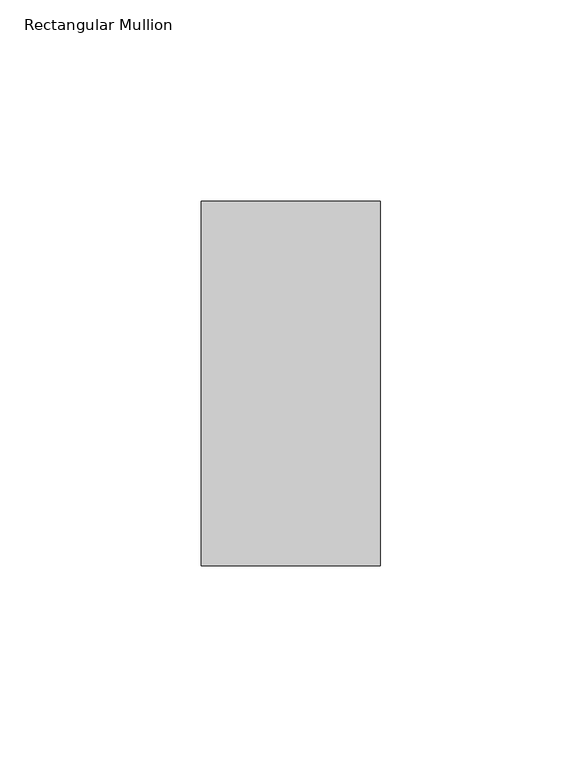
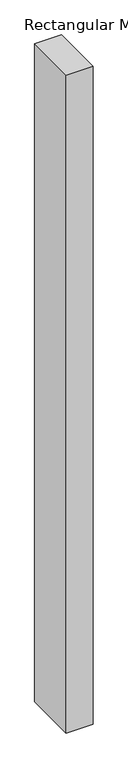
"""IFC4 building model written with IfcOpenShell, lengths in millimetres: member geometry, Rectangular Mullion."""

from ifc_helpers import new_model, si_unit, frame, origin, place, context, project, spatial, polyline, outline, extrude, source, transform, mapped, element, save


def rectangular_mullion_f7e7e44e(model_context):
    return source(origin(), model_context, "Body", "SweptSolid", [
        extrude(outline(polyline([(0.0, 45.2274954), (0.0, -45.2274954), (-44.45, -45.2274954), (-44.45, 45.2274954), (0.0, 45.2274954)])), frame((0.0, 0.0, -1152.5628155), z_axis=(0.0, 0.0, 1.0), x_axis=(1.0, 0.0, 0.0)), (0.0, 0.0, 1.0), 1152.5628155),
    ])


if __name__ == "__main__":
    model = new_model("IFC4")
    model_context = context("Model", 3, world=origin())
    ifc_project = project(units=[si_unit("LENGTHUNIT", "METRE", prefix="MILLI")], contexts=[model_context])
    site = spatial("IfcSite", under=ifc_project)
    building = spatial("IfcBuilding", under=site)
    placement = place(None, origin())
    rectangular_mullion_shape = rectangular_mullion_f7e7e44e(model_context)
    element("IfcMember", 1, ObjectType="Rectangular Mullion", at=placement, inside=building, context=model_context, shape_type="MappedRepresentation", body=[
        mapped(rectangular_mullion_shape, transform((0.0, 0.0, 0.0), x_axis=(1.0, 0.0, 0.0), y_axis=(0.0, 1.0, 0.0), z_axis=(0.0, 0.0, 1.0))),
    ])
    save(model, "model.ifc")
